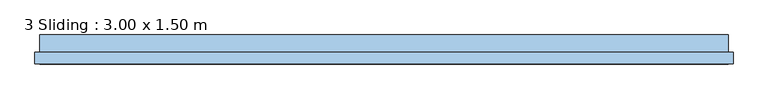
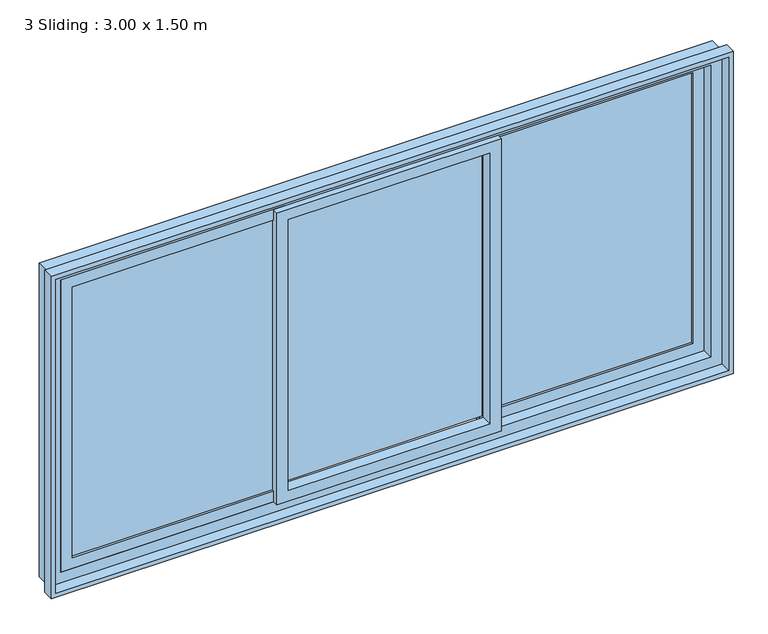
"""IFC4 building model written with IfcOpenShell, lengths in millimetres: window geometry, 3 Sliding : 3.00 x 1.50 m."""

import ifcopenshell
import ifcopenshell.guid

model = None  # the IFC model being written
_history = None  # IfcOwnerHistory: only IFC2X3 demands one
_inside = {}  # id of a spatial element -> (the spatial element, [elements in it])
_under = {}  # id of a project, library or spatial element -> (it, [spatial elements below it])
_declared = {}  # id of a project -> (the project, [libraries it declares])
_typed = {}  # id of a type object -> (the type object, [elements of that type])
_made_of = {}  # id of a material, layer set ... -> (it, [elements and type objects made of it])


def new_model(schema):
    """Start an empty IFC model of exactly this schema.

    Asked for "IFC4X3", IfcOpenShell would pick the latest addendum, in which some entities
    have other attributes; the version numbers below select the first issue.
    IFC2X3 requires an IfcOwnerHistory on every rooted entity: one is made here for all.
    """
    global model, _history
    if schema == "IFC4X3":
        model = ifcopenshell.file(schema_version=(4, 3, 0, 0))
    else:
        model = ifcopenshell.file(schema=schema)
    _inside.clear()
    _under.clear()
    _declared.clear()
    _typed.clear()
    _made_of.clear()
    _history = None
    if model.schema == "IFC2X3":
        org = make("IfcOrganization", Name="unknown")
        user = make(
            "IfcPersonAndOrganization",
            ThePerson=make("IfcPerson", FamilyName="unknown"),
            TheOrganization=org,
        )
        app = make(
            "IfcApplication",
            ApplicationDeveloper=org,
            Version="unknown",
            ApplicationFullName="unknown",
            ApplicationIdentifier="unknown",
        )
        _history = make(
            "IfcOwnerHistory",
            OwningUser=user,
            OwningApplication=app,
            ChangeAction="ADDED",
            CreationDate=0,
        )
    return model


def make(cls, **values):
    """One entity of the class cls with the attributes given. An attribute that is None is left unset."""
    return model.create_entity(
        cls, **{name: value for name, value in values.items() if value is not None}
    )


def rooted(cls, **values):
    """An entity with a GlobalId (a new one), such as an element, a storey or a relation."""
    return make(cls, GlobalId=ifcopenshell.guid.new(), OwnerHistory=_history, **values)


def si_unit(unit_type, name, prefix=None):
    """IfcSIUnit, for example si_unit("LENGTHUNIT", "METRE", prefix="MILLI")."""
    return make("IfcSIUnit", UnitType=unit_type, Prefix=prefix, Name=name)


def assignment(units):
    """IfcUnitAssignment: the units of a project."""
    return None if units is None else make("IfcUnitAssignment", Units=units)


def point(xyz):
    """IfcCartesianPoint."""
    return None if xyz is None else make("IfcCartesianPoint", Coordinates=xyz)


def direction(xyz):
    """IfcDirection."""
    return None if xyz is None else make("IfcDirection", DirectionRatios=xyz)


def frame(location, z_axis=None, x_axis=None):
    """IfcAxis2Placement3D, a coordinate frame: its origin and axes. An axis left out is left unset."""
    return make(
        "IfcAxis2Placement3D",
        Location=point(location),
        Axis=direction(z_axis),
        RefDirection=direction(x_axis),
    )


def origin():
    """The frame at (0, 0, 0) with its axes left unset."""
    return frame((0.0, 0.0, 0.0))


def place(relative_to, where):
    """IfcLocalPlacement: puts the frame where relative to a parent placement (None: the world)."""
    return make(
        "IfcLocalPlacement", PlacementRelTo=relative_to, RelativePlacement=where
    )


def context(
    kind, dimensions, precision=None, world=None, true_north=None, identifier=None
):
    """IfcGeometricRepresentationContext, for example the 3D "Model" context."""
    return make(
        "IfcGeometricRepresentationContext",
        ContextIdentifier=identifier,
        ContextType=kind,
        CoordinateSpaceDimension=dimensions,
        Precision=precision,
        WorldCoordinateSystem=world,
        TrueNorth=true_north,
    )


def project(units=None, contexts=None):
    """IfcProject with its units and contexts."""
    return rooted(
        "IfcProject",
        Name="project",
        RepresentationContexts=contexts,
        UnitsInContext=assignment(units),
    )


def spatial(cls, under=None, at=None, **own):
    """A site, building, storey or space (cls), placed at a placement, below another one or the project."""
    s = rooted(cls, ObjectPlacement=at, **own)
    if under is not None:
        _under.setdefault(under.id(), (under, []))[1].append(s)
    return s


def polyline(points):
    """IfcPolyline through the points."""
    return make("IfcPolyline", Points=[point(p) for p in points])


def outline(outer, holes=None, kind="AREA"):
    """IfcArbitraryClosedProfileDef: a profile drawn as a closed curve; with holes, ...WithVoids."""
    if holes is None:
        return make("IfcArbitraryClosedProfileDef", ProfileType=kind, OuterCurve=outer)
    return make(
        "IfcArbitraryProfileDefWithVoids",
        ProfileType=kind,
        OuterCurve=outer,
        InnerCurves=holes,
    )


def extrude(swept, where, along, depth):
    """IfcExtrudedAreaSolid: the profile swept, set in the frame where, extruded along a direction by depth."""
    return make(
        "IfcExtrudedAreaSolid",
        SweptArea=swept,
        Position=where,
        ExtrudedDirection=direction(along),
        Depth=depth,
    )


def shape(context_of_items, identifier, shape_type, items):
    """IfcShapeRepresentation: the items that make up one representation, for example the "Body"."""
    return make(
        "IfcShapeRepresentation",
        ContextOfItems=context_of_items,
        RepresentationIdentifier=identifier,
        RepresentationType=shape_type,
        Items=items,
    )


def source(mapping_origin, context_of_items, identifier, shape_type, items):
    """IfcRepresentationMap: a shape defined once, which mapped items show again and again."""
    return make(
        "IfcRepresentationMap",
        MappingOrigin=mapping_origin,
        MappedRepresentation=shape(context_of_items, identifier, shape_type, items),
    )


def transform(
    local_origin,
    x_axis=None,
    y_axis=None,
    z_axis=None,
    scale=None,
    scale2=None,
    scale3=None,
    uniform=True,
):
    """IfcCartesianTransformationOperator3D, or its non-uniform kind. x_axis, y_axis, z_axis: its Axis1, 2, 3."""
    if uniform:
        return make(
            "IfcCartesianTransformationOperator3D",
            Axis1=direction(x_axis),
            Axis2=direction(y_axis),
            LocalOrigin=point(local_origin),
            Scale=scale,
            Axis3=direction(z_axis),
        )
    return make(
        "IfcCartesianTransformationOperator3DnonUniform",
        Axis1=direction(x_axis),
        Axis2=direction(y_axis),
        LocalOrigin=point(local_origin),
        Scale=scale,
        Axis3=direction(z_axis),
        Scale2=scale2,
        Scale3=scale3,
    )


def mapped(mapping_source, mapping_target):
    """IfcMappedItem: shows the shape of a source again, moved by a transform."""
    return make(
        "IfcMappedItem", MappingSource=mapping_source, MappingTarget=mapping_target
    )


def made_of(thing, what):
    """Note that an element or type object is made of a material, layer set ...; save() writes the relation."""
    if what is not None:
        _made_of.setdefault(what.id(), (what, []))[1].append(thing)
    return thing


def element(
    cls,
    number,
    at=None,
    inside=None,
    cuts=None,
    type_object=None,
    material=None,
    context=None,
    identifier="Body",
    shape_type=None,
    held_by="IfcProductDefinitionShape",
    body=None,
    shapes=None,
    **own,
):
    """One element of the class cls, such as IfcWall. Its Tag is "e" and its number.

    at: its placement. inside: the storey or other place that contains it. cuts: it is an
    opening in that element (IfcRelVoidsElement). A single representation is given by context,
    identifier, shape_type and body (its items); several are given by shapes. held_by: the class
    of the entity that holds the representations. save() writes the other relations.
    """
    e = rooted(cls, Tag="e%d" % number, ObjectPlacement=at, **own)
    if body is not None:
        shapes = [shape(context, identifier, shape_type, body)]
    if shapes is not None:
        e.Representation = make(held_by, Representations=shapes)
    if inside is not None:
        _inside.setdefault(inside.id(), (inside, []))[1].append(e)
    if cuts is not None:
        rooted(
            "IfcRelVoidsElement", RelatingBuildingElement=cuts, RelatedOpeningElement=e
        )
    if type_object is not None:
        _typed.setdefault(type_object.id(), (type_object, []))[1].append(e)
    return made_of(e, material)


def aggregate(whole, parts):
    """IfcRelAggregates: a whole, such as a stair, and the parts it consists of."""
    return rooted("IfcRelAggregates", RelatingObject=whole, RelatedObjects=parts)


def save(model, path):
    """Write the relations noted so far, then the file.

    IfcRelAggregates (storeys below a building ...), IfcRelContainedInSpatialStructure (elements
    in a storey), IfcRelDefinesByType, IfcRelAssociatesMaterial and IfcRelDeclares: one each for
    every whole, place, type object, material and project.
    """
    for whole, parts in _under.values():
        aggregate(whole, parts)
    for where, things in _inside.values():
        rooted(
            "IfcRelContainedInSpatialStructure",
            RelatedElements=things,
            RelatingStructure=where,
        )
    for kind, things in _typed.values():
        rooted("IfcRelDefinesByType", RelatedObjects=things, RelatingType=kind)
    for what, things in _made_of.values():
        rooted("IfcRelAssociatesMaterial", RelatedObjects=things, RelatingMaterial=what)
    for by, libraries in _declared.values():
        rooted("IfcRelDeclares", RelatingContext=by, RelatedDefinitions=libraries)
    model.write(path)


def window_3_sliding_3_00_x_1_50_m_1cb39a05(model_context):
    return source(origin(), model_context, "Body", "SweptSolid", [
        extrude(outline(polyline([(1337.5103168, 84.5), (450.8436501, 84.5), (450.8436501, 90.5), (1337.5103168, 90.5), (1337.5103168, 84.5)])), frame((0.0, 0.0, 920.0), z_axis=(0.0, 0.0, 1.0), x_axis=(1.0, 0.0, 0.0)), (0.0, 0.0, 1.0), 1260.0),
        extrude(outline(polyline([(-485.8230165, 59.5), (-485.8230165, 65.5), (400.8436501, 65.5), (400.8436501, 59.5), (-485.8230165, 59.5)])), frame((0.0, 0.0, 920.0), z_axis=(0.0, 0.0, 1.0), x_axis=(1.0, 0.0, 0.0)), (0.0, 0.0, 1.0), 1260.0),
        extrude(outline(polyline([(-535.8230165, 34.5), (-1422.4896832, 34.5), (-1422.4896832, 40.5), (-535.8230165, 40.5), (-535.8230165, 34.5)])), frame((0.0, 0.0, 920.0), z_axis=(0.0, 0.0, 1.0), x_axis=(1.0, 0.0, 0.0)), (0.0, 0.0, 1.0), 1260.0),
        extrude(outline(polyline([(870.0, 400.8436501), (870.0, 1387.5103168), (2230.0, 1387.5103168), (2230.0, 400.8436501), (870.0, 400.8436501)]), holes=[polyline([(920.0, 1337.5103168), (920.0, 450.8436501), (2180.0, 450.8436501), (2180.0, 1337.5103168), (920.0, 1337.5103168)])]), frame((0.0, 75.0, 0.0), z_axis=(0.0, 1.0, 0.0), x_axis=(0.0, 0.0, 1.0)), (0.0, 0.0, 1.0), 25.0),
        extrude(outline(polyline([(870.0, -535.8230165), (870.0, 450.8436501), (2230.0, 450.8436501), (2230.0, -535.8230165), (870.0, -535.8230165)]), holes=[polyline([(920.0, 400.8436501), (920.0, -485.8230165), (2180.0, -485.8230165), (2180.0, 400.8436501), (920.0, 400.8436501)])]), frame((0.0, 0.0, 0.0), z_axis=(0.0, 1.0, 0.0), x_axis=(0.0, 0.0, 1.0)), (0.0, 0.0, 1.0), 50.0),
        extrude(outline(polyline([(870.0, -1472.4896832), (870.0, -485.8230165), (2230.0, -485.8230165), (2230.0, -1472.4896832), (870.0, -1472.4896832)]), holes=[polyline([(920.0, -535.8230165), (920.0, -1422.4896832), (2180.0, -1422.4896832), (2180.0, -535.8230165), (920.0, -535.8230165)])]), frame((0.0, 25.0, 0.0), z_axis=(0.0, 1.0, 0.0), x_axis=(0.0, 0.0, 1.0)), (0.0, 0.0, 1.0), 25.0),
        extrude(outline(polyline([(820.0, -1522.4896832), (820.0, 1437.5103168), (2280.0, 1437.5103168), (2280.0, -1522.4896832), (820.0, -1522.4896832)]), holes=[polyline([(870.0, 1387.5103168), (870.0, -1472.4896832), (2230.0, -1472.4896832), (2230.0, 1387.5103168), (870.0, 1387.5103168)])]), frame((0.0, 25.0, 0.0), z_axis=(0.0, 1.0, 0.0), x_axis=(0.0, 0.0, 1.0)), (0.0, 0.0, 1.0), 75.0),
        extrude(outline(polyline([(2300.0, 1457.5103168), (2300.0, -1542.4896832), (800.0, -1542.4896832), (800.0, 1457.5103168), (2300.0, 1457.5103168)]), holes=[polyline([(2280.0, -1522.4896832), (2280.0, 1437.5103168), (820.0, 1437.5103168), (820.0, -1522.4896832), (2280.0, -1522.4896832)])]), frame((0.0, -25.0, 0.0), z_axis=(0.0, 1.0, 0.0), x_axis=(0.0, 0.0, 1.0)), (0.0, 0.0, 1.0), 50.0),
    ])


if __name__ == "__main__":
    model = new_model("IFC4")
    model_context = context("Model", 3, world=origin())
    ifc_project = project(units=[si_unit("LENGTHUNIT", "METRE", prefix="MILLI")], contexts=[model_context])
    site = spatial("IfcSite", under=ifc_project)
    building = spatial("IfcBuilding", under=site)
    placement = place(None, origin())
    window_3_sliding_3_00_x_1_50_m_shape = window_3_sliding_3_00_x_1_50_m_1cb39a05(model_context)
    element("IfcWindow", 1, ObjectType="3 Sliding : 3.00 x 1.50 m", at=placement, inside=building, context=model_context, shape_type="MappedRepresentation", body=[
        mapped(window_3_sliding_3_00_x_1_50_m_shape, transform((0.0, 0.0, 0.0), x_axis=(1.0, 0.0, 0.0), y_axis=(0.0, 1.0, 0.0), z_axis=(0.0, 0.0, 1.0))),
    ])
    save(model, "model.ifc")
